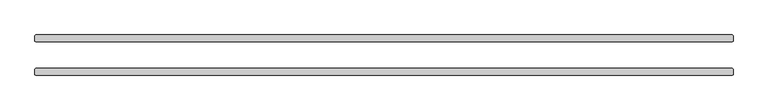
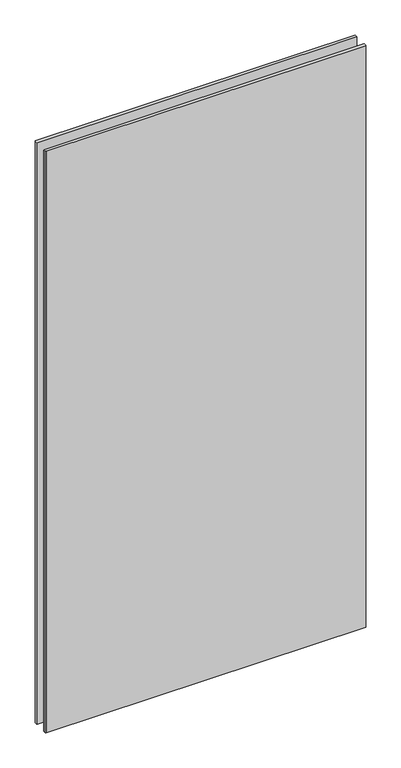
"""IFC4 building model written with IfcOpenShell, lengths in millimetres: plate geometry."""

from ifc_helpers import new_model, si_unit, origin, origin_with_axes, place, context, project, spatial, polyline, outline, extrude, source, transform, mapped, element, save


def plate_4ddd3f0b(model_context):
    return source(origin(), model_context, "Body", "SweptSolid", [
        extrude(outline(polyline([(628.253125, 23.8125), (-628.253125, 23.8125), (-629.840625, 25.4), (-629.840625, 34.925), (-628.253125, 36.5125), (628.253125, 36.5125), (629.840625, 34.925), (629.840625, 25.4), (628.253125, 23.8125)])), origin_with_axes(), (0.0, 0.0, 1.0), 2417.7625023),
        extrude(outline(polyline([(628.253125, -36.5125), (-628.253125, -36.5125), (-629.840625, -34.925), (-629.840625, -25.4), (-628.253125, -23.8125), (628.253125, -23.8125), (629.840625, -25.4), (629.840625, -34.925), (628.253125, -36.5125)])), origin_with_axes(), (0.0, 0.0, 1.0), 2417.7625023),
    ])


if __name__ == "__main__":
    model = new_model("IFC4")
    model_context = context("Model", 3, world=origin())
    ifc_project = project(units=[si_unit("LENGTHUNIT", "METRE", prefix="MILLI")], contexts=[model_context])
    site = spatial("IfcSite", under=ifc_project)
    building = spatial("IfcBuilding", under=site)
    placement = place(None, origin())
    plate_shape = plate_4ddd3f0b(model_context)
    element("IfcPlate", 1, at=placement, inside=building, context=model_context, shape_type="MappedRepresentation", body=[
        mapped(plate_shape, transform((0.0, 0.0, 0.0), x_axis=(1.0, 0.0, 0.0), y_axis=(0.0, 1.0, 0.0), z_axis=(0.0, 0.0, 1.0))),
    ])
    save(model, "model.ifc")
